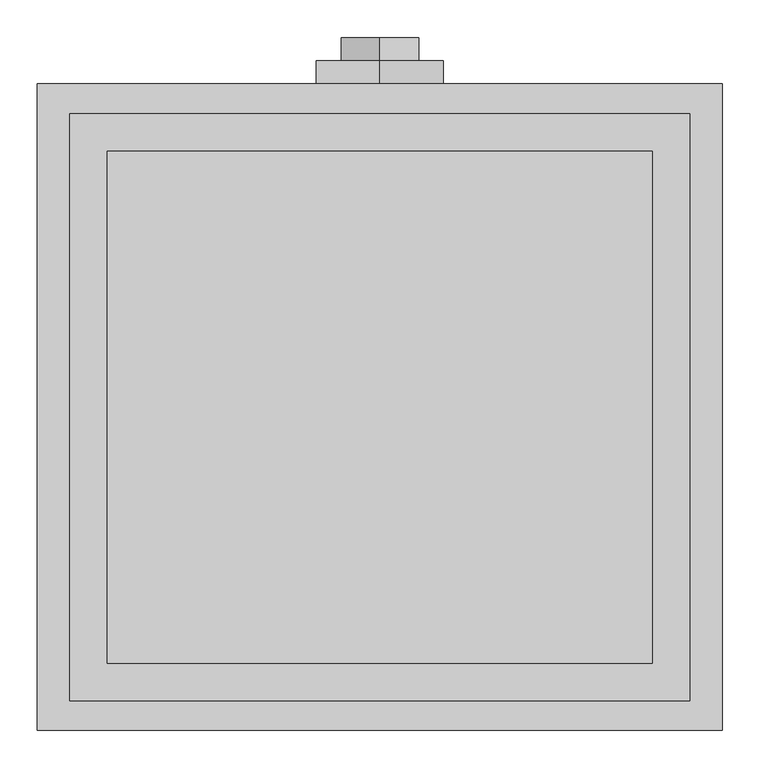
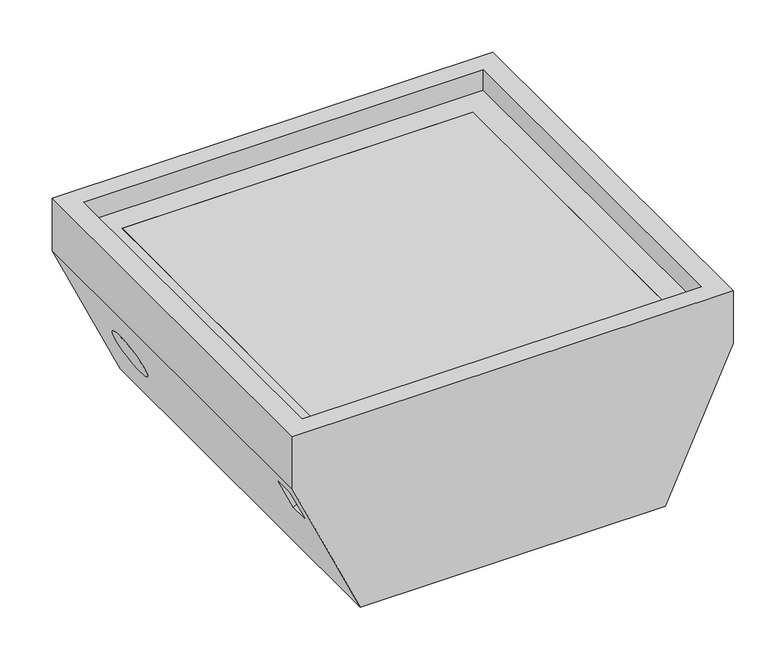
"""IFC4 building model written with IfcOpenShell, lengths in millimetres: proxy geometry."""

from ifc_helpers import new_model, si_unit, point, frame, frame_2d, origin, place, context, project, spatial, polyline, circle_curve, trimmed, segment, composite_curve, outline, extrude, faceted_brep, source, transform, mapped, element, save


def specialty_equipment_9db0f551(model_context):
    return source(origin(), model_context, "Body", "SolidModel", [
        extrude(outline(composite_curve([segment(trimmed(circle_curve(frame_2d((0.0, -52.0000001)), 52.0), [point((0.0, -104.0))], [point((0.0, 0.0))], False, "CARTESIAN"), True, "CONTINUOUS"), segment(trimmed(circle_curve(frame_2d((0.0, -52.0000001)), 52.0), [point((0.0, 0.0))], [point((0.0, -104.0))], False, "CARTESIAN"), True, "CONTINUOUS")], self_intersect=False)), frame((-363.1201308, 707.7714765, -351.7046243), z_axis=(0.9098092643356966, 0.0, 0.41502662869861556), x_axis=(0.0, -1.0, 0.0)), (0.0, 0.0, 1.0), 5.0),
        extrude(outline(composite_curve([segment(trimmed(circle_curve(frame_2d((0.0, -52.0000001)), 52.0), [point((0.0, -104.0))], [point((0.0, 0.0))], False, "CARTESIAN"), True, "CONTINUOUS"), segment(trimmed(circle_curve(frame_2d((0.0, -52.0000001)), 52.0), [point((0.0, 0.0))], [point((0.0, -104.0))], False, "CARTESIAN"), True, "CONTINUOUS")], self_intersect=False)), frame((363.1331622, 707.7264827, -351.6760572), z_axis=(-0.90980926433571, 0.0, 0.4150266286985865), x_axis=(0.0, 1.0, 0.0)), (0.0, 0.0, 1.0), 5.0),
        extrude(outline(composite_curve([segment(trimmed(circle_curve(frame_2d((0.0, -6.4)), 6.4), [point((0.0, -12.8))], [point((0.0, 0.0))], False, "CARTESIAN"), True, "CONTINUOUS"), segment(trimmed(circle_curve(frame_2d((0.0, -6.4)), 6.4), [point((0.0, 0.0))], [point((0.0, -12.8))], False, "CARTESIAN"), True, "CONTINUOUS")], self_intersect=False)), frame((-398.1911432, 57.7984364, -209.5868095), z_axis=(0.9098092643356966, 0.0, 0.41502662869861556), x_axis=(0.0, -1.0, 0.0)), (0.0, 0.0, 1.0), 15.9252544),
        extrude(outline(polyline([(-363.5, 772.5), (363.5, 772.5), (363.5, 89.5), (-363.5, 89.5), (-363.5, 772.5)])), frame((0.0, 0.0, -87.0), z_axis=(0.0, 0.0, 1.0), x_axis=(1.0, 0.0, 0.0)), (0.0, 0.0, 1.0), 10.0),
        extrude(outline(polyline([(-413.5, 39.5), (-413.5, 822.5), (413.5, 822.5), (413.5, 39.5), (-413.5, 39.5)]), holes=[polyline([(-363.5, 89.5), (363.5, 89.5), (363.5, 772.5), (-363.5, 772.5), (-363.5, 89.5)])]), frame((0.0, 0.0, -87.0), z_axis=(0.0, 0.0, 1.0), x_axis=(1.0, 0.0, 0.0)), (0.0, 0.0, 1.0), 10.0),
        extrude(outline(composite_curve([segment(trimmed(circle_curve(frame_2d((-330.0, 0.0)), 52.0), [point((-278.0, 0.0))], [point((-382.0, 0.0))], False, "CARTESIAN"), True, "CONTINUOUS"), segment(trimmed(circle_curve(frame_2d((-330.0, 0.0)), 52.0), [point((-382.0, 0.0))], [point((-278.0, 0.0))], False, "CARTESIAN"), True, "CONTINUOUS")], self_intersect=False)), frame((0.0, 893.0, 0.0), z_axis=(0.0, 1.0, 0.0), x_axis=(0.0, 0.0, 1.0)), (0.0, 0.0, 1.0), 31.0),
        extrude(outline(composite_curve([segment(trimmed(circle_curve(frame_2d((-330.0, 0.0)), 85.0), [point((-415.0, 0.0))], [point((-245.0, 0.0))], False, "CARTESIAN"), True, "CONTINUOUS"), segment(trimmed(circle_curve(frame_2d((-330.0, 0.0)), 85.0), [point((-245.0, 0.0))], [point((-415.0, 0.0))], False, "CARTESIAN"), True, "CONTINUOUS")], self_intersect=False)), frame((0.0, 862.0, 0.0), z_axis=(0.0, 1.0, 0.0), x_axis=(0.0, 0.0, 1.0)), (0.0, 0.0, 1.0), 31.0),
        faceted_brep([(-456.5, 862.0, -32.0), (456.5, 862.0, -32.0), (456.5, 862.0, -147.0), (316.0, 862.0, -455.0), (-316.0, 862.0, -455.0), (-456.5, 862.0, -147.0), (-456.5, 0.0, -32.0), (-456.5, 0.0, -147.0), (-316.0, 0.0, -455.0), (316.0, 0.0, -455.0), (456.5, 0.0, -147.0), (456.5, 0.0, -32.0), (413.5, 39.5, -32.0), (-413.5, 39.5, -32.0), (-413.5, 822.5, -32.0), (413.5, 822.5, -32.0), (-409.1723851, 38.4911327, -250.7502163), (-409.1723851, 78.4911327, -250.7502163), (-440.2993822, 78.4911327, -182.5145215), (-440.2993822, 38.4911327, -182.5145215), (424.2381499, 69.0149179, -217.7234862), (424.2381499, 29.0149179, -217.7234862), (440.8392151, 29.0149179, -181.3311157), (440.8392151, 69.0149179, -181.3311157), (413.5, 39.5, -137.6555354), (288.3526063, 39.5, -412.0), (-288.3526063, 39.5, -412.0), (-370.0505867, 39.5, -232.9040713), (-401.1775839, 39.5, -164.6683765), (-413.5, 39.5, -137.6555354), (-413.5, 822.5, -137.6555354), (-288.3526063, 822.5, -412.0), (288.3526063, 822.5, -412.0), (413.5, 822.5, -137.6555354), (-401.1775839, 78.4911327, -164.6683765), (-370.0505867, 78.4911327, -232.9040713), (-370.0505867, 38.4911327, -232.9040713), (-401.1775839, 38.4911327, -164.6683765), (401.7526881, 29.0149179, -207.4663194), (401.7526881, 69.0149179, -207.4663194), (418.3537532, 69.0149179, -171.0739488), (418.3537532, 29.0149179, -171.0739488)], [[[0, 1, 2, 3, 4, 5]], [[6, 7, 8, 9, 10, 11]], [[1, 0, 6, 11], [12, 13, 14, 15]], [[0, 5, 7, 6]], [[5, 4, 8, 7], [16, 17, 18, 19]], [[4, 3, 9, 8]], [[3, 2, 10, 9], [20, 21, 22, 23]], [[2, 1, 11, 10]], [[12, 24, 25, 26, 27, 28, 29, 13]], [[14, 30, 31, 32, 33, 15]], [[13, 29, 30, 14]], [[31, 30, 29, 28, 34, 35, 27, 26]], [[26, 25, 32, 31]], [[25, 24, 33, 32]], [[24, 12, 15, 33]], [[36, 37, 28, 27]], [[16, 36, 27, 35, 17]], [[37, 36, 16, 19]], [[37, 19, 18, 34, 28]], [[17, 35, 34, 18]], [[38, 39, 40, 41]], [[39, 38, 21, 20]], [[40, 39, 20, 23]], [[41, 40, 23, 22]], [[38, 41, 22, 21]]]),
        extrude(outline(polyline([(-136.5689698, 408.5), (-87.0, 408.5), (-87.0, -408.5), (-136.5689698, -408.5), (-407.0, -285.137793), (-407.0, 285.137793), (-136.5689698, 408.5)])), frame((0.0, 44.5, 0.0), z_axis=(0.0, 1.0, 0.0), x_axis=(0.0, 0.0, 1.0)), (0.0, 0.0, 1.0), 5.0),
        extrude(outline(polyline([(-137.6555354, -413.5), (-412.0, -288.3526063), (-412.0, 288.3526063), (-137.6555354, 413.5), (-87.0, 413.5), (-87.0, 408.5), (-136.5689698, 408.5), (-407.0, 285.137793), (-407.0, -285.137793), (-136.5689698, -408.5), (-87.0, -408.5), (-87.0, -413.5), (-137.6555354, -413.5)])), frame((0.0, 44.5, 0.0), z_axis=(0.0, 1.0, 0.0), x_axis=(0.0, 0.0, 1.0)), (0.0, 0.0, 1.0), 778.0),
        extrude(outline(polyline([(-412.0, -288.3526063), (-412.0, 288.3526063), (-137.6555354, 413.5), (-87.0, 413.5), (-87.0, -413.5), (-137.6555354, -413.5), (-412.0, -288.3526063)])), frame((0.0, 39.5, 0.0), z_axis=(0.0, 1.0, 0.0), x_axis=(0.0, 0.0, 1.0)), (0.0, 0.0, 1.0), 5.0),
    ])


if __name__ == "__main__":
    model = new_model("IFC4")
    model_context = context("Model", 3, world=origin())
    ifc_project = project(units=[si_unit("LENGTHUNIT", "METRE", prefix="MILLI")], contexts=[model_context])
    site = spatial("IfcSite", under=ifc_project)
    building = spatial("IfcBuilding", under=site)
    placement = place(None, origin())
    specialty_equipment_shape = specialty_equipment_9db0f551(model_context)
    element("IfcBuildingElementProxy", 1, Name="Specialty Equipment", at=placement, inside=building, context=model_context, shape_type="MappedRepresentation", body=[
        mapped(specialty_equipment_shape, transform((0.0, 0.0, 0.0), x_axis=(1.0, 0.0, 0.0), y_axis=(0.0, 1.0, 0.0), z_axis=(0.0, 0.0, 1.0))),
    ])
    save(model, "model.ifc")
